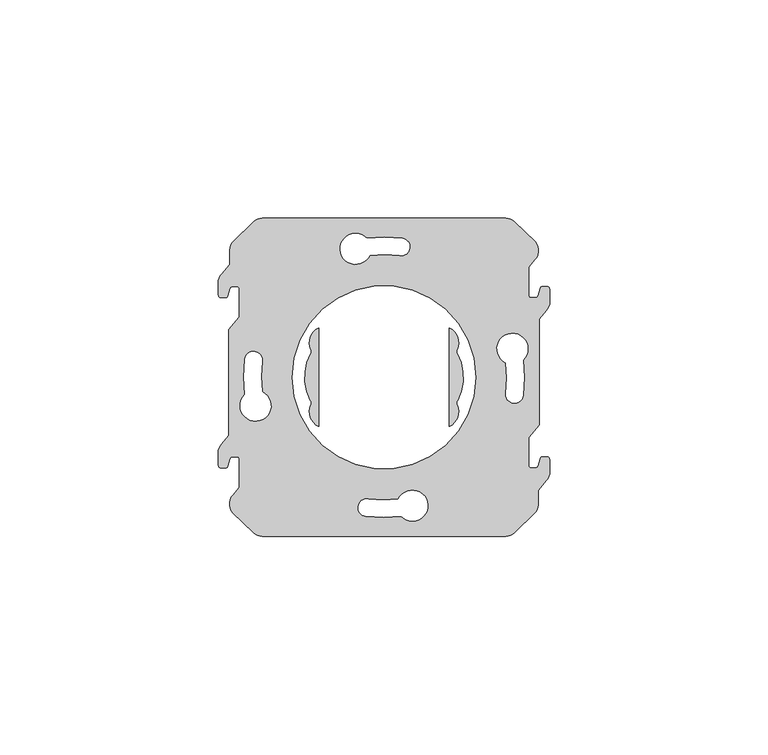
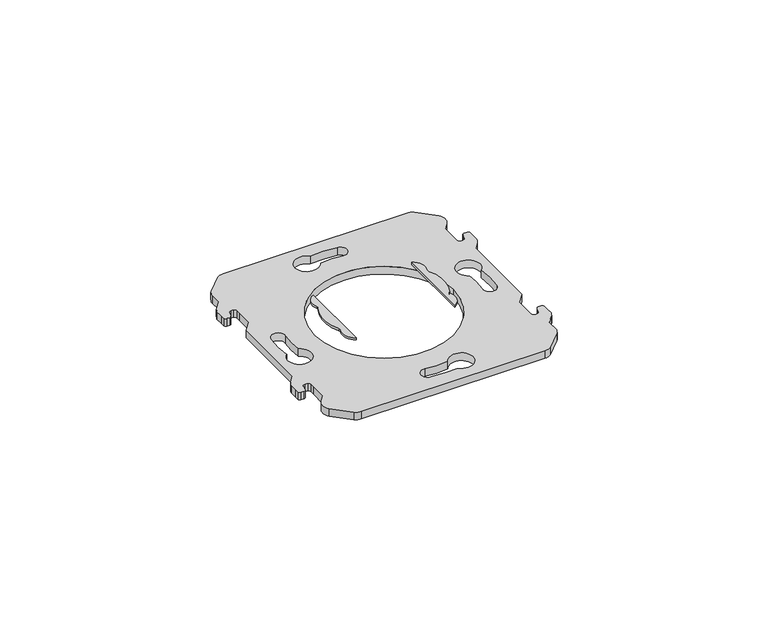
"""IFC4 building model written with IfcOpenShell, lengths in millimetres: proxy geometry."""

from ifc_helpers import new_model, si_unit, point, frame, frame_2d, origin, place, context, project, spatial, polyline, circle_curve, trimmed, segment, composite_curve, outline, extrude, source, transform, mapped, element, save
from ifc_brep_helpers import plane_surface, cylinder_surface, revolved_surface, advanced_brep


def electrical_fixtures_5f5707a0(model_context):
    return source(origin(), model_context, "Body", "SolidModel", [
        advanced_brep(
        [(-5.3618856, 58.9, 1.4999955), (-7.3352401, 58.1817577, 1.4999955), (-12.0623304, 53.6003524, 1.4999955), (-12.825, 51.7544998, 1.4999955), (-12.825, 48.358147, 1.4999955), (-14.6551375, 46.1770741, 1.4999955), (-15.3831369, 44.7482948, 1.4999955), (-15.3831369, 42.6032876, 1.4999955), (-15.3831369, 41.3, 1.4999955), (-14.7831369, 40.7, 1.4999955), (-13.8845347, 40.7, 1.4999955), (-13.2308768, 41.1925666, 1.4999955), (-13.0094096, 41.9649142, 1.4999955), (-12.7678212, 42.8074334, 1.4999955), (-12.1141632, 43.3, 1.4999955), (-11.215561, 43.3, 1.4999955), (-10.615561, 42.7, 1.4999955), (-10.615561, 41.3967124, 1.4999955), (-10.615561, 36.2941352, 1.4999955), (-13.0, 33.4524715, 1.4999955), (-13.0, 9.1495901, 1.4999955), (-14.6551375, 7.1770741, 1.4999955), (-15.3831369, 5.7482948, 1.4999955), (-15.3831369, 3.6032876, 1.4999955), (-15.3831369, 2.3, 1.4999955), (-14.7831369, 1.7, 1.4999955), (-13.8845347, 1.7, 1.4999955), (-13.2308768, 2.1925666, 1.4999955), (-13.0094096, 2.9649142, 1.4999955), (-12.7678212, 3.8074334, 1.4999955), (-12.1141632, 4.3, 1.4999955), (-11.215561, 4.3, 1.4999955), (-10.615561, 3.7, 1.4999955), (-10.615561, 2.3967124, 1.4999955), (-10.615561, -2.7058648, 1.4999955), (-12.0487493, -4.4138721, 1.4999955), (-12.0483311, -8.5880492, 1.4999955), (-7.3352401, -13.1817577, 1.4999955), (-5.3618856, -13.9, 1.4999955), (50.3618856, -13.9, 1.4999955), (52.3352401, -13.1817577, 1.4999955), (57.0623304, -8.6003524, 1.4999955), (57.825, -6.7544998, 1.4999955), (57.825, -3.358147, 1.4999955), (59.6551375, -1.1770741, 1.4999955), (60.3831369, 0.2517052, 1.4999955), (60.3831369, 2.3967124, 1.4999955), (60.3831369, 3.7, 1.4999955), (59.7831369, 4.3, 1.4999955), (58.8845347, 4.3, 1.4999955), (58.2308768, 3.8074334, 1.4999955), (58.0094096, 3.0350858, 1.4999955), (57.7678212, 2.1925666, 1.4999955), (57.1141632, 1.7, 1.4999955), (56.215561, 1.7, 1.4999955), (55.615561, 2.3, 1.4999955), (55.615561, 3.6032876, 1.4999955), (55.615561, 8.7058648, 1.4999955), (58.0, 11.5475285, 1.4999955), (58.0, 35.8504099, 1.4999955), (59.6551375, 37.8229259, 1.4999955), (60.3831369, 39.2517052, 1.4999955), (60.3831369, 41.3967124, 1.4999955), (60.3831369, 42.7, 1.4999955), (59.7831369, 43.3, 1.4999955), (58.8845347, 43.3, 1.4999955), (58.2308768, 42.8074334, 1.4999955), (58.0094096, 42.0350858, 1.4999955), (57.7678212, 41.1925666, 1.4999955), (57.1141632, 40.7, 1.4999955), (56.215561, 40.7, 1.4999955), (55.615561, 41.3, 1.4999955), (55.615561, 42.6032876, 1.4999955), (55.615561, 47.7058648, 1.4999955), (57.0487493, 49.4138721, 1.4999955), (57.0483311, 53.5880492, 1.4999955), (52.3352401, 58.1817577, 1.4999955), (50.3618856, 58.9, 1.4999955), (50.4050903, 25.7948561, 1.4999955), (54.3556482, 26.4616572, 1.4999955), (54.3309119, 18.3239237, 1.4999955), (50.3589525, 18.8422789, 1.4999955), (-5.4050903, 19.2051439, 1.4999955), (-9.3556482, 18.5383428, 1.4999955), (-9.3309119, 26.6760763, 1.4999955), (-5.3589525, 26.1577211, 1.4999955), (19.2051439, 50.4050903, 1.4999955), (18.5383428, 54.3556482, 1.4999955), (26.6760763, 54.3309119, 1.4999955), (26.1577211, 50.3589525, 1.4999955), (25.7948561, -5.4050903, 1.4999955), (26.4616572, -9.3556482, 1.4999955), (18.3239237, -9.3309119, 1.4999955), (18.8422789, -5.3589525, 1.4999955), (1.5, 22.5, 1.4999955), (43.5, 22.5, 1.4999955), (-5.3618856, 58.9, -0.9375053), (50.3618856, 58.9, -0.9375053), (52.3352401, 58.1817577, -0.9375053), (57.0623304, 53.6003524, -0.9375053), (57.0487493, 49.4138721, -0.9375053), (55.615561, 47.7058648, -0.9375053), (55.615561, 42.6032876, -0.9375053), (55.615561, 41.3, -0.9375053), (56.215561, 40.7, -0.9375053), (57.1141632, 40.7, -0.9375053), (57.7678212, 41.1925666, -0.9375053), (58.0094096, 42.0350858, -0.9375053), (58.2308768, 42.8074334, -0.9375053), (58.8845347, 43.3, -0.9375053), (59.7831369, 43.3, -0.9375053), (60.3831369, 42.7, -0.9375053), (60.3831369, 41.3967124, -0.9375053), (60.3831369, 39.2517052, -0.9375053), (59.6551375, 37.8229259, -0.9375053), (58.0, 35.8504099, -0.9375053), (58.0, 11.5475285, -0.9375053), (55.615561, 8.7058648, -0.9375053), (55.615561, 3.6032876, -0.9375053), (55.615561, 2.3, -0.9375053), (56.215561, 1.7, -0.9375053), (57.1141632, 1.7, -0.9375053), (57.7678212, 2.1925666, -0.9375053), (58.0094096, 3.0350858, -0.9375053), (58.2308768, 3.8074334, -0.9375053), (58.8845347, 4.3, -0.9375053), (59.7831369, 4.3, -0.9375053), (60.3831369, 3.7, -0.9375053), (60.3831369, 2.3967124, -0.9375053), (60.3831369, 0.2517052, -0.9375053), (59.6551375, -1.1770741, -0.9375053), (57.825, -3.358147, -0.9375053), (57.825, -6.7544998, -0.9375053), (57.0483311, -8.5880492, -0.9375053), (52.3352401, -13.1817577, -0.9375053), (50.3618856, -13.9, -0.9375053), (-5.3618856, -13.9, -0.9375053), (-7.3352401, -13.1817577, -0.9375053), (-12.0623304, -8.6003524, -0.9375053), (-12.0487493, -4.4138721, -0.9375053), (-10.615561, -2.7058648, -0.9375053), (-10.615561, 2.3967124, -0.9375053), (-10.615561, 3.7, -0.9375053), (-11.215561, 4.3, -0.9375053), (-12.1141632, 4.3, -0.9375053), (-12.7678212, 3.8074334, -0.9375053), (-13.0094096, 2.9649142, -0.9375053), (-13.2308768, 2.1925666, -0.9375053), (-13.8845347, 1.7, -0.9375053), (-14.7831369, 1.7, -0.9375053), (-15.3831369, 2.3, -0.9375053), (-15.3831369, 3.6032876, -0.9375053), (-15.3831369, 5.7482948, -0.9375053), (-14.6551375, 7.1770741, -0.9375053), (-13.0, 9.1495901, -0.9375053), (-13.0, 33.4524715, -0.9375053), (-10.615561, 36.2941352, -0.9375053), (-10.615561, 41.3967124, -0.9375053), (-10.615561, 42.7, -0.9375053), (-11.215561, 43.3, -0.9375053), (-12.1141632, 43.3, -0.9375053), (-12.7678212, 42.8074334, -0.9375053), (-13.0094096, 41.9649142, -0.9375053), (-13.2308768, 41.1925666, -0.9375053), (-13.8845347, 40.7, -0.9375053), (-14.7831369, 40.7, -0.9375053), (-15.3831369, 41.3, -0.9375053), (-15.3831369, 42.6032876, -0.9375053), (-15.3831369, 44.7482948, -0.9375053), (-14.6551375, 46.1770741, -0.9375053), (-12.825, 48.358147, -0.9375053), (-12.825, 51.7544998, -0.9375053), (-12.0483311, 53.5880492, -0.9375053), (-7.3352401, 58.1817577, -0.9375053), (50.4050903, 25.7948561, -0.9375053), (50.3589525, 18.8422789, -0.9375053), (54.3309119, 18.3239237, -0.9375053), (54.3556482, 26.4616572, -0.9375053), (-5.4050903, 19.2051439, -0.9375053), (-5.3589525, 26.1577211, -0.9375053), (-9.3309119, 26.6760763, -0.9375053), (-9.3556482, 18.5383428, -0.9375053), (19.2051439, 50.4050903, -0.9375053), (26.1577211, 50.3589525, -0.9375053), (26.6760763, 54.3309119, -0.9375053), (18.5383428, 54.3556482, -0.9375053), (25.7948561, -5.4050903, -0.9375053), (18.8422789, -5.3589525, -0.9375053), (18.3239237, -9.3309119, -0.9375053), (26.4616572, -9.3556482, -0.9375053), (1.5, 22.5, -0.9375053), (43.5, 22.5, -0.9375053)],
        [
            (0, 1, circle_curve(frame((-5.3618856, 55.8300054, 1.4999955), z_axis=(0.0, 0.0, 1.0), x_axis=(0.0, -1.0, 0.0)), 3.0699946)),
            (1, 2, circle_curve(frame((22.2319767, 22.9449208, 1.4999955), z_axis=(0.0, 0.0, 1.0), x_axis=(0.0, -1.0, 0.0)), 45.9984237)),
            (2, 3, circle_curve(frame((-9.6732427, 51.5007227, 1.4999955), z_axis=(0.0, 0.0, 1.0), x_axis=(0.0, -1.0, 0.0)), 3.1619578)),
            (3, 4),
            (4, 5),
            (5, 6, circle_curve(frame((-12.0250548, 43.9371233, 1.4999955), z_axis=(0.0, 0.0, 1.0), x_axis=(0.0, 1.0, 0.0)), 3.4546657)),
            (6, 7),
            (7, 8),
            (8, 9, circle_curve(frame((-14.7831369, 41.3, 1.4999955), z_axis=(0.0, 0.0, 1.0), x_axis=(0.0, 1.0, 0.0)), 0.6)),
            (9, 10),
            (10, 11, circle_curve(frame((-13.8845347, 41.38, 1.4999955), z_axis=(0.0, 0.0, 1.0), x_axis=(0.0, 1.0, 0.0)), 0.68)),
            (11, 12),
            (12, 13),
            (13, 14, circle_curve(frame((-12.1141632, 42.62, 1.4999955), z_axis=(0.0, 0.0, -1.0), x_axis=(0.0, -1.0, 0.0)), 0.68)),
            (14, 15),
            (15, 16, circle_curve(frame((-11.215561, 42.7, 1.4999955), z_axis=(0.0, 0.0, -1.0), x_axis=(0.0, -1.0, 0.0)), 0.6)),
            (16, 17),
            (17, 18),
            (18, 19),
            (19, 20),
            (20, 21),
            (21, 22, circle_curve(frame((-12.0250548, 4.9371233, 1.4999955), z_axis=(0.0, 0.0, 1.0), x_axis=(0.0, 1.0, 0.0)), 3.4546657)),
            (22, 23),
            (23, 24),
            (24, 25, circle_curve(frame((-14.7831369, 2.3, 1.4999955), z_axis=(0.0, 0.0, 1.0), x_axis=(0.0, 1.0, 0.0)), 0.6)),
            (25, 26),
            (26, 27, circle_curve(frame((-13.8845347, 2.38, 1.4999955), z_axis=(0.0, 0.0, 1.0), x_axis=(0.0, 1.0, 0.0)), 0.68)),
            (27, 28),
            (28, 29),
            (29, 30, circle_curve(frame((-12.1141632, 3.62, 1.4999955), z_axis=(0.0, 0.0, -1.0), x_axis=(0.0, -1.0, 0.0)), 0.68)),
            (30, 31),
            (31, 32, circle_curve(frame((-11.215561, 3.7, 1.4999955), z_axis=(0.0, 0.0, -1.0), x_axis=(0.0, -1.0, 0.0)), 0.6)),
            (32, 33),
            (33, 34),
            (34, 35),
            (35, 36, circle_curve(frame((-9.6732427, -6.5007227, 1.4999955), z_axis=(0.0, 0.0, 1.0), x_axis=(0.0, 1.0, 0.0)), 3.1619578)),
            (36, 37, circle_curve(frame((22.2319767, 22.0550792, 1.4999955), z_axis=(0.0, 0.0, 1.0), x_axis=(0.0, 1.0, 0.0)), 45.9984237)),
            (37, 38, circle_curve(frame((-5.3618856, -10.8300054, 1.4999955), z_axis=(0.0, 0.0, 1.0), x_axis=(0.0, 1.0, 0.0)), 3.0699946)),
            (38, 39),
            (39, 40, circle_curve(frame((50.3618856, -10.8300054, 1.4999955), z_axis=(0.0, 0.0, 1.0), x_axis=(0.0, 1.0, 0.0)), 3.0699946)),
            (40, 41, circle_curve(frame((22.7680233, 22.0550792, 1.4999955), z_axis=(0.0, 0.0, 1.0), x_axis=(0.0, 1.0, 0.0)), 45.9984237)),
            (41, 42, circle_curve(frame((54.6732427, -6.5007227, 1.4999955), z_axis=(0.0, 0.0, 1.0), x_axis=(0.0, 1.0, 0.0)), 3.1619578)),
            (42, 43),
            (43, 44),
            (44, 45, circle_curve(frame((57.0250548, 1.0628767, 1.4999955), z_axis=(0.0, 0.0, 1.0), x_axis=(0.0, -1.0, 0.0)), 3.4546657)),
            (45, 46),
            (46, 47),
            (47, 48, circle_curve(frame((59.7831369, 3.7, 1.4999955), z_axis=(0.0, 0.0, 1.0), x_axis=(0.0, -1.0, 0.0)), 0.6)),
            (48, 49),
            (49, 50, circle_curve(frame((58.8845347, 3.62, 1.4999955), z_axis=(0.0, 0.0, 1.0), x_axis=(0.0, -1.0, 0.0)), 0.68)),
            (50, 51),
            (51, 52),
            (52, 53, circle_curve(frame((57.1141632, 2.38, 1.4999955), z_axis=(0.0, 0.0, -1.0), x_axis=(0.0, 1.0, 0.0)), 0.68)),
            (53, 54),
            (54, 55, circle_curve(frame((56.215561, 2.3, 1.4999955), z_axis=(0.0, 0.0, -1.0), x_axis=(0.0, 1.0, 0.0)), 0.6)),
            (55, 56),
            (56, 57),
            (57, 58),
            (58, 59),
            (59, 60),
            (60, 61, circle_curve(frame((57.0250548, 40.0628767, 1.4999955), z_axis=(0.0, 0.0, 1.0), x_axis=(0.0, -1.0, 0.0)), 3.4546657)),
            (61, 62),
            (62, 63),
            (63, 64, circle_curve(frame((59.7831369, 42.7, 1.4999955), z_axis=(0.0, 0.0, 1.0), x_axis=(0.0, -1.0, 0.0)), 0.6)),
            (64, 65),
            (65, 66, circle_curve(frame((58.8845347, 42.62, 1.4999955), z_axis=(0.0, 0.0, 1.0), x_axis=(0.0, -1.0, 0.0)), 0.68)),
            (66, 67),
            (67, 68),
            (68, 69, circle_curve(frame((57.1141632, 41.38, 1.4999955), z_axis=(0.0, 0.0, -1.0), x_axis=(0.0, 1.0, 0.0)), 0.68)),
            (69, 70),
            (70, 71, circle_curve(frame((56.215561, 41.3, 1.4999955), z_axis=(0.0, 0.0, -1.0), x_axis=(0.0, 1.0, 0.0)), 0.6)),
            (71, 72),
            (72, 73),
            (73, 74),
            (74, 75, circle_curve(frame((54.6732427, 51.5007227, 1.4999955), z_axis=(0.0, 0.0, 1.0), x_axis=(0.0, -1.0, 0.0)), 3.1619578)),
            (75, 76, circle_curve(frame((22.7680233, 22.9449208, 1.4999955), z_axis=(0.0, 0.0, 1.0), x_axis=(0.0, -1.0, 0.0)), 45.9984237)),
            (76, 77, circle_curve(frame((50.3618856, 55.8300054, 1.4999955), z_axis=(0.0, 0.0, 1.0), x_axis=(0.0, -1.0, 0.0)), 3.0699946)),
            (77, 0),
            (78, 79, circle_curve(frame((51.8931272, 29.0149916, 1.4999955), z_axis=(0.0, 0.0, -1.0), x_axis=(0.0, -1.0, 0.0)), 3.5473266)),
            (79, 80, circle_curve(frame((22.4089112, 22.4898617, 1.4999955), z_axis=(0.0, 0.0, -1.0), x_axis=(0.0, -1.0, 0.0)), 32.1926881)),
            (80, 81, circle_curve(frame((52.3424212, 18.5638607, 1.4999955), z_axis=(0.0, 0.0, -1.0), x_axis=(0.0, -1.0, 0.0)), 2.0029141)),
            (81, 78, circle_curve(frame((24.3636153, 22.4912274, 1.4999955), z_axis=(0.0, 0.0, 1.0), x_axis=(0.0, -1.0, 0.0)), 26.2501882)),
            (82, 83, circle_curve(frame((-6.8931272, 15.9850084, 1.4999955), z_axis=(0.0, 0.0, -1.0), x_axis=(0.0, 1.0, 0.0)), 3.5473266)),
            (83, 84, circle_curve(frame((22.5910888, 22.5101383, 1.4999955), z_axis=(0.0, 0.0, -1.0), x_axis=(0.0, 1.0, 0.0)), 32.1926881)),
            (84, 85, circle_curve(frame((-7.3424212, 26.4361393, 1.4999955), z_axis=(0.0, 0.0, -1.0), x_axis=(0.0, 1.0, 0.0)), 2.0029141)),
            (85, 82, circle_curve(frame((20.6363847, 22.5087726, 1.4999955), z_axis=(0.0, 0.0, 1.0), x_axis=(0.0, 1.0, 0.0)), 26.2501882)),
            (86, 87, circle_curve(frame((15.9850084, 51.8931272, 1.4999955), z_axis=(0.0, 0.0, -1.0), x_axis=(1.0, 0.0, 0.0)), 3.5473266)),
            (87, 88, circle_curve(frame((22.5101383, 22.4089112, 1.4999955), z_axis=(0.0, 0.0, -1.0), x_axis=(1.0, 0.0, 0.0)), 32.1926881)),
            (88, 89, circle_curve(frame((26.4361393, 52.3424212, 1.4999955), z_axis=(0.0, 0.0, -1.0), x_axis=(1.0, 0.0, 0.0)), 2.0029141)),
            (89, 86, circle_curve(frame((22.5087726, 24.3636153, 1.4999955), z_axis=(0.0, 0.0, 1.0), x_axis=(1.0, 0.0, 0.0)), 26.2501882)),
            (90, 91, circle_curve(frame((29.0149916, -6.8931272, 1.4999955), z_axis=(0.0, 0.0, -1.0), x_axis=(-1.0, 0.0, 0.0)), 3.5473266)),
            (91, 92, circle_curve(frame((22.4898617, 22.5910888, 1.4999955), z_axis=(0.0, 0.0, -1.0), x_axis=(-1.0, 0.0, 0.0)), 32.1926881)),
            (92, 93, circle_curve(frame((18.5638607, -7.3424212, 1.4999955), z_axis=(0.0, 0.0, -1.0), x_axis=(-1.0, 0.0, 0.0)), 2.0029141)),
            (93, 90, circle_curve(frame((22.4912274, 20.6363847, 1.4999955), z_axis=(0.0, 0.0, 1.0), x_axis=(-1.0, 0.0, 0.0)), 26.2501882)),
            (94, 95, circle_curve(frame((22.5, 22.5, 1.4999955), z_axis=(0.0, 0.0, -1.0), x_axis=(1.0, 0.0, 0.0)), 21.0)),
            (95, 94, circle_curve(frame((22.5, 22.5, 1.4999955), z_axis=(0.0, 0.0, -1.0), x_axis=(1.0, 0.0, 0.0)), 21.0)),
            (96, 97),
            (97, 98, circle_curve(frame((50.3618856, 55.8300054, -0.9375053), z_axis=(0.0, 0.0, -1.0), x_axis=(0.0, -1.0, 0.0)), 3.0699946)),
            (98, 99, circle_curve(frame((22.7680233, 22.9449208, -0.9375053), z_axis=(0.0, 0.0, -1.0), x_axis=(0.0, -1.0, 0.0)), 45.9984237)),
            (99, 100, circle_curve(frame((54.6732427, 51.5007227, -0.9375053), z_axis=(0.0, 0.0, -1.0), x_axis=(0.0, -1.0, 0.0)), 3.1619578)),
            (100, 101),
            (101, 102),
            (102, 103),
            (103, 104, circle_curve(frame((56.215561, 41.3, -0.9375053), z_axis=(0.0, 0.0, 1.0), x_axis=(0.0, 1.0, 0.0)), 0.6)),
            (104, 105),
            (105, 106, circle_curve(frame((57.1141632, 41.38, -0.9375053), z_axis=(0.0, 0.0, 1.0), x_axis=(0.0, 1.0, 0.0)), 0.68)),
            (106, 107),
            (107, 108),
            (108, 109, circle_curve(frame((58.8845347, 42.62, -0.9375053), z_axis=(0.0, 0.0, -1.0), x_axis=(0.0, -1.0, 0.0)), 0.68)),
            (109, 110),
            (110, 111, circle_curve(frame((59.7831369, 42.7, -0.9375053), z_axis=(0.0, 0.0, -1.0), x_axis=(0.0, -1.0, 0.0)), 0.6)),
            (111, 112),
            (112, 113),
            (113, 114, circle_curve(frame((57.0250548, 40.0628767, -0.9375053), z_axis=(0.0, 0.0, -1.0), x_axis=(0.0, -1.0, 0.0)), 3.4546657)),
            (114, 115),
            (115, 116),
            (116, 117),
            (117, 118),
            (118, 119),
            (119, 120, circle_curve(frame((56.215561, 2.3, -0.9375053), z_axis=(0.0, 0.0, 1.0), x_axis=(0.0, 1.0, 0.0)), 0.6)),
            (120, 121),
            (121, 122, circle_curve(frame((57.1141632, 2.38, -0.9375053), z_axis=(0.0, 0.0, 1.0), x_axis=(0.0, 1.0, 0.0)), 0.68)),
            (122, 123),
            (123, 124),
            (124, 125, circle_curve(frame((58.8845347, 3.62, -0.9375053), z_axis=(0.0, 0.0, -1.0), x_axis=(0.0, -1.0, 0.0)), 0.68)),
            (125, 126),
            (126, 127, circle_curve(frame((59.7831369, 3.7, -0.9375053), z_axis=(0.0, 0.0, -1.0), x_axis=(0.0, -1.0, 0.0)), 0.6)),
            (127, 128),
            (128, 129),
            (129, 130, circle_curve(frame((57.0250548, 1.0628767, -0.9375053), z_axis=(0.0, 0.0, -1.0), x_axis=(0.0, -1.0, 0.0)), 3.4546657)),
            (130, 131),
            (131, 132),
            (132, 133, circle_curve(frame((54.6732427, -6.5007227, -0.9375053), z_axis=(0.0, 0.0, -1.0), x_axis=(0.0, 1.0, 0.0)), 3.1619578)),
            (133, 134, circle_curve(frame((22.7680233, 22.0550792, -0.9375053), z_axis=(0.0, 0.0, -1.0), x_axis=(0.0, 1.0, 0.0)), 45.9984237)),
            (134, 135, circle_curve(frame((50.3618856, -10.8300054, -0.9375053), z_axis=(0.0, 0.0, -1.0), x_axis=(0.0, 1.0, 0.0)), 3.0699946)),
            (135, 136),
            (136, 137, circle_curve(frame((-5.3618856, -10.8300054, -0.9375053), z_axis=(0.0, 0.0, -1.0), x_axis=(0.0, 1.0, 0.0)), 3.0699946)),
            (137, 138, circle_curve(frame((22.2319767, 22.0550792, -0.9375053), z_axis=(0.0, 0.0, -1.0), x_axis=(0.0, 1.0, 0.0)), 45.9984237)),
            (138, 139, circle_curve(frame((-9.6732427, -6.5007227, -0.9375053), z_axis=(0.0, 0.0, -1.0), x_axis=(0.0, 1.0, 0.0)), 3.1619578)),
            (139, 140),
            (140, 141),
            (141, 142),
            (142, 143, circle_curve(frame((-11.215561, 3.7, -0.9375053), z_axis=(0.0, 0.0, 1.0), x_axis=(0.0, -1.0, 0.0)), 0.6)),
            (143, 144),
            (144, 145, circle_curve(frame((-12.1141632, 3.62, -0.9375053), z_axis=(0.0, 0.0, 1.0), x_axis=(0.0, -1.0, 0.0)), 0.68)),
            (145, 146),
            (146, 147),
            (147, 148, circle_curve(frame((-13.8845347, 2.38, -0.9375053), z_axis=(0.0, 0.0, -1.0), x_axis=(0.0, 1.0, 0.0)), 0.68)),
            (148, 149),
            (149, 150, circle_curve(frame((-14.7831369, 2.3, -0.9375053), z_axis=(0.0, 0.0, -1.0), x_axis=(0.0, 1.0, 0.0)), 0.6)),
            (150, 151),
            (151, 152),
            (152, 153, circle_curve(frame((-12.0250548, 4.9371233, -0.9375053), z_axis=(0.0, 0.0, -1.0), x_axis=(0.0, 1.0, 0.0)), 3.4546657)),
            (153, 154),
            (154, 155),
            (155, 156),
            (156, 157),
            (157, 158),
            (158, 159, circle_curve(frame((-11.215561, 42.7, -0.9375053), z_axis=(0.0, 0.0, 1.0), x_axis=(0.0, -1.0, 0.0)), 0.6)),
            (159, 160),
            (160, 161, circle_curve(frame((-12.1141632, 42.62, -0.9375053), z_axis=(0.0, 0.0, 1.0), x_axis=(0.0, -1.0, 0.0)), 0.68)),
            (161, 162),
            (162, 163),
            (163, 164, circle_curve(frame((-13.8845347, 41.38, -0.9375053), z_axis=(0.0, 0.0, -1.0), x_axis=(0.0, 1.0, 0.0)), 0.68)),
            (164, 165),
            (165, 166, circle_curve(frame((-14.7831369, 41.3, -0.9375053), z_axis=(0.0, 0.0, -1.0), x_axis=(0.0, 1.0, 0.0)), 0.6)),
            (166, 167),
            (167, 168),
            (168, 169, circle_curve(frame((-12.0250548, 43.9371233, -0.9375053), z_axis=(0.0, 0.0, -1.0), x_axis=(0.0, 1.0, 0.0)), 3.4546657)),
            (169, 170),
            (170, 171),
            (171, 172, circle_curve(frame((-9.6732427, 51.5007227, -0.9375053), z_axis=(0.0, 0.0, -1.0), x_axis=(0.0, -1.0, 0.0)), 3.1619578)),
            (172, 173, circle_curve(frame((22.2319767, 22.9449208, -0.9375053), z_axis=(0.0, 0.0, -1.0), x_axis=(0.0, -1.0, 0.0)), 45.9984237)),
            (173, 96, circle_curve(frame((-5.3618856, 55.8300054, -0.9375053), z_axis=(0.0, 0.0, -1.0), x_axis=(0.0, -1.0, 0.0)), 3.0699946)),
            (174, 175, circle_curve(frame((24.3636153, 22.4912274, -0.9375053), z_axis=(0.0, 0.0, -1.0), x_axis=(0.0, -1.0, 0.0)), 26.2501882)),
            (175, 176, circle_curve(frame((52.3424212, 18.5638607, -0.9375053), z_axis=(0.0, 0.0, 1.0), x_axis=(0.0, -1.0, 0.0)), 2.0029141)),
            (176, 177, circle_curve(frame((22.4089112, 22.4898617, -0.9375053), z_axis=(0.0, 0.0, 1.0), x_axis=(0.0, -1.0, 0.0)), 32.1926881)),
            (177, 174, circle_curve(frame((51.8931272, 29.0149916, -0.9375053), z_axis=(0.0, 0.0, 1.0), x_axis=(0.0, -1.0, 0.0)), 3.5473266)),
            (178, 179, circle_curve(frame((20.6363847, 22.5087726, -0.9375053), z_axis=(0.0, 0.0, -1.0), x_axis=(0.0, 1.0, 0.0)), 26.2501882)),
            (179, 180, circle_curve(frame((-7.3424212, 26.4361393, -0.9375053), z_axis=(0.0, 0.0, 1.0), x_axis=(0.0, 1.0, 0.0)), 2.0029141)),
            (180, 181, circle_curve(frame((22.5910888, 22.5101383, -0.9375053), z_axis=(0.0, 0.0, 1.0), x_axis=(0.0, 1.0, 0.0)), 32.1926881)),
            (181, 178, circle_curve(frame((-6.8931272, 15.9850084, -0.9375053), z_axis=(0.0, 0.0, 1.0), x_axis=(0.0, 1.0, 0.0)), 3.5473266)),
            (182, 183, circle_curve(frame((22.5087726, 24.3636153, -0.9375053), z_axis=(0.0, 0.0, -1.0), x_axis=(1.0, 0.0, 0.0)), 26.2501882)),
            (183, 184, circle_curve(frame((26.4361393, 52.3424212, -0.9375053), z_axis=(0.0, 0.0, 1.0), x_axis=(1.0, 0.0, 0.0)), 2.0029141)),
            (184, 185, circle_curve(frame((22.5101383, 22.4089112, -0.9375053), z_axis=(0.0, 0.0, 1.0), x_axis=(1.0, 0.0, 0.0)), 32.1926881)),
            (185, 182, circle_curve(frame((15.9850084, 51.8931272, -0.9375053), z_axis=(0.0, 0.0, 1.0), x_axis=(1.0, 0.0, 0.0)), 3.5473266)),
            (186, 187, circle_curve(frame((22.4912274, 20.6363847, -0.9375053), z_axis=(0.0, 0.0, -1.0), x_axis=(-1.0, 0.0, 0.0)), 26.2501882)),
            (187, 188, circle_curve(frame((18.5638607, -7.3424212, -0.9375053), z_axis=(0.0, 0.0, 1.0), x_axis=(-1.0, 0.0, 0.0)), 2.0029141)),
            (188, 189, circle_curve(frame((22.4898617, 22.5910888, -0.9375053), z_axis=(0.0, 0.0, 1.0), x_axis=(-1.0, 0.0, 0.0)), 32.1926881)),
            (189, 186, circle_curve(frame((29.0149916, -6.8931272, -0.9375053), z_axis=(0.0, 0.0, 1.0), x_axis=(-1.0, 0.0, 0.0)), 3.5473266)),
            (190, 191, circle_curve(frame((22.5, 22.5, -0.9375053), z_axis=(0.0, 0.0, 1.0), x_axis=(1.0, 0.0, 0.0)), 21.0)),
            (191, 190, circle_curve(frame((22.5, 22.5, -0.9375053), z_axis=(0.0, 0.0, 1.0), x_axis=(1.0, 0.0, 0.0)), 21.0)),
            (0, 96),
            (173, 1),
            (172, 2),
            (36, 138),
            (137, 37),
            (136, 38),
            (135, 39),
            (134, 40),
            (133, 41),
            (132, 42),
            (131, 43),
            (130, 44),
            (129, 45),
            (128, 46),
            (127, 47),
            (126, 48),
            (125, 49),
            (124, 50),
            (123, 51),
            (57, 117),
            (116, 58),
            (115, 59),
            (114, 60),
            (113, 61),
            (112, 62),
            (111, 63),
            (110, 64),
            (109, 65),
            (108, 66),
            (107, 67),
            (73, 101),
            (100, 74),
            (99, 75),
            (98, 76),
            (97, 77),
            (78, 174),
            (177, 79),
            (176, 80),
            (175, 81),
            (82, 178),
            (181, 83),
            (180, 84),
            (179, 85),
            (86, 182),
            (185, 87),
            (184, 88),
            (183, 89),
            (90, 186),
            (189, 91),
            (188, 92),
            (187, 93),
            (171, 3),
            (170, 4),
            (169, 5),
            (168, 6),
            (167, 7),
            (166, 8),
            (165, 9),
            (164, 10),
            (163, 11),
            (162, 12),
            (161, 13),
            (160, 14),
            (159, 15),
            (158, 16),
            (157, 17),
            (156, 18),
            (155, 19),
            (154, 20),
            (153, 21),
            (152, 22),
            (151, 23),
            (150, 24),
            (149, 25),
            (148, 26),
            (147, 27),
            (146, 28),
            (145, 29),
            (144, 30),
            (143, 31),
            (142, 32),
            (141, 33),
            (140, 34),
            (139, 35),
            (122, 52),
            (121, 53),
            (120, 54),
            (119, 55),
            (118, 56),
            (106, 68),
            (105, 69),
            (104, 70),
            (103, 71),
            (102, 72),
            (94, 190),
            (191, 95),
        ],
        [
            plane_surface(frame((-5.3618856, 52.7600108, 1.4999955), z_axis=(0.0, 0.0, 1.0), x_axis=(1.0, 0.0, 0.0))),
            plane_surface(frame((-5.3618856, 52.7600108, -0.9375053), z_axis=(0.0, 0.0, -1.0), x_axis=(-1.0, 0.0, 0.0))),
            cylinder_surface(frame((-5.3618856, 55.8300054, -0.9375053), z_axis=(0.0, 0.0, 1.0), x_axis=(0.0, -1.0, 0.0)), 3.0699946),
            cylinder_surface(frame((22.2319767, 22.9449208, -0.9375053), z_axis=(0.0, 0.0, 1.0), x_axis=(0.0, -1.0, 0.0)), 45.9984237),
            cylinder_surface(frame((22.2319767, 22.0550792, -0.9375053), z_axis=(0.0, 0.0, 1.0), x_axis=(0.0, 1.0, 0.0)), 45.9984237),
            cylinder_surface(frame((-5.3618856, -10.8300054, -0.9375053), z_axis=(0.0, 0.0, 1.0), x_axis=(0.0, 1.0, 0.0)), 3.0699946),
            plane_surface(frame((-5.3618856, -13.9, 1.4999955), z_axis=(0.0, -1.0, 0.0), x_axis=(0.0, 0.0, -1.0))),
            cylinder_surface(frame((50.3618856, -10.8300054, -0.9375053), z_axis=(0.0, 0.0, 1.0), x_axis=(0.0, 1.0, 0.0)), 3.0699946),
            cylinder_surface(frame((22.7680233, 22.0550792, -0.9375053), z_axis=(0.0, 0.0, 1.0), x_axis=(0.0, 1.0, 0.0)), 45.9984237),
            cylinder_surface(frame((54.6732427, -6.5007227, -0.9375053), z_axis=(0.0, 0.0, 1.0), x_axis=(0.0, 1.0, 0.0)), 3.1619578),
            plane_surface(frame((57.825, -6.7544998, 1.4999955), z_axis=(1.0, 0.0, 0.0), x_axis=(0.0, 0.0, -1.0))),
            plane_surface(frame((57.825, -3.358147, 1.4999955), z_axis=(0.7660444431193687, -0.6427876096860737, 0.0), x_axis=(0.0, 0.0, -1.0))),
            cylinder_surface(frame((57.0250548, 1.0628767, -0.9375053), z_axis=(0.0, 0.0, 1.0), x_axis=(0.0, -1.0, 0.0)), 3.4546657),
            plane_surface(frame((60.3831369, 0.2517052, 1.4999955), z_axis=(1.0, 0.0, 0.0), x_axis=(0.0, 0.0, -1.0))),
            plane_surface(frame((60.3831369, 2.3967124, 1.4999955), z_axis=(1.0, 0.0, 0.0), x_axis=(0.0, 0.0, -1.0))),
            cylinder_surface(frame((59.7831369, 3.7, -0.9375053), z_axis=(0.0, 0.0, 1.0), x_axis=(0.0, -1.0, 0.0)), 0.6),
            plane_surface(frame((59.7831369, 4.3, 1.4999955), z_axis=(0.0, 1.0, 0.0), x_axis=(0.0, 0.0, -1.0))),
            cylinder_surface(frame((58.8845347, 3.62, -0.9375053), z_axis=(0.0, 0.0, 1.0), x_axis=(0.0, -1.0, 0.0)), 0.68),
            plane_surface(frame((58.2308768, 3.8074334, 1.4999955), z_axis=(-0.9612616959382921, 0.27563735581709237, 0.0), x_axis=(0.0, 0.0, -1.0))),
            plane_surface(frame((55.615561, 8.7058648, 1.4999955), z_axis=(0.7660444431184645, -0.6427876096871513, 0.0), x_axis=(0.0, 0.0, -1.0))),
            plane_surface(frame((58.0, 11.5475285, 1.4999955), z_axis=(1.0, 0.0, 0.0), x_axis=(0.0, 0.0, -1.0))),
            plane_surface(frame((58.0, 35.8504099, 1.4999955), z_axis=(0.766044443119369, -0.6427876096860735, 0.0), x_axis=(0.0, 0.0, -1.0))),
            cylinder_surface(frame((57.0250548, 40.0628767, -0.9375053), z_axis=(0.0, 0.0, 1.0), x_axis=(0.0, -1.0, 0.0)), 3.4546657),
            plane_surface(frame((60.3831369, 39.2517052, 1.4999955), z_axis=(1.0, 0.0, 0.0), x_axis=(0.0, 0.0, -1.0))),
            plane_surface(frame((60.3831369, 41.3967124, 1.4999955), z_axis=(1.0, 0.0, 0.0), x_axis=(0.0, 0.0, -1.0))),
            cylinder_surface(frame((59.7831369, 42.7, -0.9375053), z_axis=(0.0, 0.0, 1.0), x_axis=(0.0, -1.0, 0.0)), 0.6),
            plane_surface(frame((59.7831369, 43.3, 1.4999955), z_axis=(0.0, 1.0, 0.0), x_axis=(0.0, 0.0, -1.0))),
            cylinder_surface(frame((58.8845347, 42.62, -0.9375053), z_axis=(0.0, 0.0, 1.0), x_axis=(0.0, -1.0, 0.0)), 0.68),
            plane_surface(frame((58.2308768, 42.8074334, 1.4999955), z_axis=(-0.9612616959382918, 0.27563735581709375, 0.0), x_axis=(0.0, 0.0, -1.0))),
            plane_surface(frame((55.615561, 47.7058648, 1.4999955), z_axis=(0.7660444431184653, -0.6427876096871505, 0.0), x_axis=(0.0, 0.0, -1.0))),
            cylinder_surface(frame((54.6732427, 51.5007227, -0.9375053), z_axis=(0.0, 0.0, 1.0), x_axis=(0.0, -1.0, 0.0)), 3.1619578),
            cylinder_surface(frame((22.7680233, 22.9449208, -0.9375053), z_axis=(0.0, 0.0, 1.0), x_axis=(0.0, -1.0, 0.0)), 45.9984237),
            cylinder_surface(frame((50.3618856, 55.8300054, -0.9375053), z_axis=(0.0, 0.0, 1.0), x_axis=(0.0, -1.0, 0.0)), 3.0699946),
            plane_surface(frame((50.3618856, 58.9, 1.4999955), z_axis=(0.0, 1.0, 0.0), x_axis=(0.0, 0.0, -1.0))),
            revolved_surface(polyline([(51.8931272, 25.467664999999997, -0.9375053), (51.8931272, 25.467664999999997, 1.4999955)]), (51.8931272, 29.0149916, -0.9375053), (0.0, 0.0, -1.0)),
            revolved_surface(polyline([(22.4089112, -9.7028264, -0.9375053), (22.4089112, -9.7028264, 1.4999955)]), (22.4089112, 22.4898617, -0.9375053), (0.0, 0.0, -1.0)),
            revolved_surface(polyline([(52.3424212, 16.5609466, -0.9375053), (52.3424212, 16.5609466, 1.4999955)]), (52.3424212, 18.5638607, -0.9375053), (0.0, 0.0, -1.0)),
            cylinder_surface(frame((24.3636153, 22.4912274, -0.9375053), z_axis=(0.0, 0.0, 1.0), x_axis=(0.0, -1.0, 0.0)), 26.2501882),
            revolved_surface(polyline([(-6.8931272, 19.532335, -0.9375053), (-6.8931272, 19.532335, 1.4999955)]), (-6.8931272, 15.9850084, -0.9375053), (0.0, 0.0, -1.0)),
            revolved_surface(polyline([(22.5910888, 54.7028264, -0.9375053), (22.5910888, 54.7028264, 1.4999955)]), (22.5910888, 22.5101383, -0.9375053), (0.0, 0.0, -1.0)),
            revolved_surface(polyline([(-7.3424212, 28.4390534, -0.9375053), (-7.3424212, 28.4390534, 1.4999955)]), (-7.3424212, 26.4361393, -0.9375053), (0.0, 0.0, -1.0)),
            cylinder_surface(frame((20.6363847, 22.5087726, -0.9375053), z_axis=(0.0, 0.0, 1.0), x_axis=(0.0, 1.0, 0.0)), 26.2501882),
            revolved_surface(polyline([(19.532335, 51.8931272, -0.9375053), (19.532335, 51.8931272, 1.4999955)]), (15.9850084, 51.8931272, -0.9375053), (0.0, 0.0, -1.0)),
            revolved_surface(polyline([(54.7028264, 22.4089112, -0.9375053), (54.7028264, 22.4089112, 1.4999955)]), (22.5101383, 22.4089112, -0.9375053), (0.0, 0.0, -1.0)),
            revolved_surface(polyline([(28.4390534, 52.3424212, -0.9375053), (28.4390534, 52.3424212, 1.4999955)]), (26.4361393, 52.3424212, -0.9375053), (0.0, 0.0, -1.0)),
            cylinder_surface(frame((22.5087726, 24.3636153, -0.9375053), z_axis=(0.0, 0.0, 1.0), x_axis=(1.0, 0.0, 0.0)), 26.2501882),
            revolved_surface(polyline([(25.467664999999997, -6.8931272, -0.9375053), (25.467664999999997, -6.8931272, 1.4999955)]), (29.0149916, -6.8931272, -0.9375053), (0.0, 0.0, -1.0)),
            revolved_surface(polyline([(-9.7028264, 22.5910888, -0.9375053), (-9.7028264, 22.5910888, 1.4999955)]), (22.4898617, 22.5910888, -0.9375053), (0.0, 0.0, -1.0)),
            revolved_surface(polyline([(16.5609466, -7.3424212, -0.9375053), (16.5609466, -7.3424212, 1.4999955)]), (18.5638607, -7.3424212, -0.9375053), (0.0, 0.0, -1.0)),
            cylinder_surface(frame((22.4912274, 20.6363847, -0.9375053), z_axis=(0.0, 0.0, 1.0), x_axis=(-1.0, 0.0, 0.0)), 26.2501882),
            cylinder_surface(frame((-9.6732427, 51.5007227, -0.9375053), z_axis=(0.0, 0.0, 1.0), x_axis=(0.0, -1.0, 0.0)), 3.1619578),
            plane_surface(frame((-12.825, 51.7544998, 1.4999955), z_axis=(-1.0, 0.0, 0.0), x_axis=(0.0, 0.0, -1.0))),
            plane_surface(frame((-12.825, 48.358147, 1.4999955), z_axis=(-0.7660444431193687, 0.6427876096860737, 0.0), x_axis=(0.0, 0.0, -1.0))),
            cylinder_surface(frame((-12.0250548, 43.9371233, -0.9375053), z_axis=(0.0, 0.0, 1.0), x_axis=(0.0, 1.0, 0.0)), 3.4546657),
            plane_surface(frame((-15.3831369, 44.7482948, 1.4999955), z_axis=(-1.0, 0.0, 0.0), x_axis=(0.0, 0.0, -1.0))),
            plane_surface(frame((-15.3831369, 42.6032876, 1.4999955), z_axis=(-1.0, 0.0, 0.0), x_axis=(0.0, 0.0, -1.0))),
            cylinder_surface(frame((-14.7831369, 41.3, -0.9375053), z_axis=(0.0, 0.0, 1.0), x_axis=(0.0, 1.0, 0.0)), 0.6),
            plane_surface(frame((-14.7831369, 40.7, 1.4999955), z_axis=(0.0, -1.0, 0.0), x_axis=(0.0, 0.0, -1.0))),
            cylinder_surface(frame((-13.8845347, 41.38, -0.9375053), z_axis=(0.0, 0.0, 1.0), x_axis=(0.0, 1.0, 0.0)), 0.68),
            plane_surface(frame((-13.2308768, 41.1925666, 1.4999955), z_axis=(0.961261695938292, -0.2756373558170931, 0.0), x_axis=(0.0, 0.0, -1.0))),
            plane_surface(frame((-13.0094096, 41.9649142, 1.4999955), z_axis=(0.9612616959382895, -0.27563735581710186, 0.0), x_axis=(0.0, 0.0, -1.0))),
            revolved_surface(polyline([(-12.1141632, 41.94, -0.9375053), (-12.1141632, 41.94, 1.4999955)]), (-12.1141632, 42.62, -0.9375053), (0.0, 0.0, -1.0)),
            plane_surface(frame((-12.1141632, 43.3, 1.4999955), z_axis=(0.0, -1.0, 0.0), x_axis=(0.0, 0.0, -1.0))),
            revolved_surface(polyline([(-11.215561, 42.1, -0.9375053), (-11.215561, 42.1, 1.4999955)]), (-11.215561, 42.7, -0.9375053), (0.0, 0.0, -1.0)),
            plane_surface(frame((-10.615561, 42.7, 1.4999955), z_axis=(-1.0, 0.0, 0.0), x_axis=(0.0, 0.0, -1.0))),
            plane_surface(frame((-10.615561, 41.3967124, 1.4999955), z_axis=(-1.0, 0.0, 0.0), x_axis=(0.0, 0.0, -1.0))),
            plane_surface(frame((-10.615561, 36.2941352, 1.4999955), z_axis=(-0.7660444431184648, 0.642787609687151, 0.0), x_axis=(0.0, 0.0, -1.0))),
            plane_surface(frame((-13.0, 33.4524715, 1.4999955), z_axis=(-1.0, 0.0, 0.0), x_axis=(0.0, 0.0, -1.0))),
            plane_surface(frame((-13.0, 9.1495901, 1.4999955), z_axis=(-0.7660444431193687, 0.6427876096860738, 0.0), x_axis=(0.0, 0.0, -1.0))),
            cylinder_surface(frame((-12.0250548, 4.9371233, -0.9375053), z_axis=(0.0, 0.0, 1.0), x_axis=(0.0, 1.0, 0.0)), 3.4546657),
            plane_surface(frame((-15.3831369, 5.7482948, 1.4999955), z_axis=(-1.0, 0.0, 0.0), x_axis=(0.0, 0.0, -1.0))),
            plane_surface(frame((-15.3831369, 3.6032876, 1.4999955), z_axis=(-1.0, 0.0, 0.0), x_axis=(0.0, 0.0, -1.0))),
            cylinder_surface(frame((-14.7831369, 2.3, -0.9375053), z_axis=(0.0, 0.0, 1.0), x_axis=(0.0, 1.0, 0.0)), 0.6),
            plane_surface(frame((-14.7831369, 1.7, 1.4999955), z_axis=(0.0, -1.0, 0.0), x_axis=(0.0, 0.0, -1.0))),
            cylinder_surface(frame((-13.8845347, 2.38, -0.9375053), z_axis=(0.0, 0.0, 1.0), x_axis=(0.0, 1.0, 0.0)), 0.68),
            plane_surface(frame((-13.2308768, 2.1925666, 1.4999955), z_axis=(0.9612616959382918, -0.27563735581709375, 0.0), x_axis=(0.0, 0.0, -1.0))),
            plane_surface(frame((-13.0094096, 2.9649142, 1.4999955), z_axis=(0.9612616959751431, -0.2756373556885779, 0.0), x_axis=(0.0, 0.0, -1.0))),
            revolved_surface(polyline([(-12.1141632, 2.94, -0.9375053), (-12.1141632, 2.94, 1.4999955)]), (-12.1141632, 3.62, -0.9375053), (0.0, 0.0, -1.0)),
            plane_surface(frame((-12.1141632, 4.3, 1.4999955), z_axis=(0.0, -1.0, 0.0), x_axis=(0.0, 0.0, -1.0))),
            revolved_surface(polyline([(-11.215561, 3.1, -0.9375053), (-11.215561, 3.1, 1.4999955)]), (-11.215561, 3.7, -0.9375053), (0.0, 0.0, -1.0)),
            plane_surface(frame((-10.615561, 3.7, 1.4999955), z_axis=(-1.0, 0.0, 0.0), x_axis=(0.0, 0.0, -1.0))),
            plane_surface(frame((-10.615561, 2.3967124, 1.4999955), z_axis=(-1.0, 0.0, 0.0), x_axis=(0.0, 0.0, -1.0))),
            plane_surface(frame((-10.615561, -2.7058648, 1.4999955), z_axis=(-0.7660444431184645, 0.6427876096871514, 0.0), x_axis=(0.0, 0.0, -1.0))),
            cylinder_surface(frame((-9.6732427, -6.5007227, -0.9375053), z_axis=(0.0, 0.0, 1.0), x_axis=(0.0, 1.0, 0.0)), 3.1619578),
            plane_surface(frame((58.0094096, 3.0350858, 1.4999955), z_axis=(-0.9612616959382895, 0.27563735581710186, 0.0), x_axis=(0.0, 0.0, -1.0))),
            revolved_surface(polyline([(57.1141632, 3.06, -0.9375053), (57.1141632, 3.06, 1.4999955)]), (57.1141632, 2.38, -0.9375053), (0.0, 0.0, -1.0)),
            plane_surface(frame((57.1141632, 1.7, 1.4999955), z_axis=(0.0, 1.0, 0.0), x_axis=(0.0, 0.0, -1.0))),
            revolved_surface(polyline([(56.215561, 2.9, -0.9375053), (56.215561, 2.9, 1.4999955)]), (56.215561, 2.3, -0.9375053), (0.0, 0.0, -1.0)),
            plane_surface(frame((55.615561, 2.3, 1.4999955), z_axis=(1.0, 0.0, 0.0), x_axis=(0.0, 0.0, -1.0))),
            plane_surface(frame((55.615561, 3.6032876, 1.4999955), z_axis=(1.0, 0.0, 0.0), x_axis=(0.0, 0.0, -1.0))),
            plane_surface(frame((58.0094096, 42.0350858, 1.4999955), z_axis=(-0.9612616959751431, 0.2756373556885779, 0.0), x_axis=(0.0, 0.0, -1.0))),
            revolved_surface(polyline([(57.1141632, 42.06, -0.9375053), (57.1141632, 42.06, 1.4999955)]), (57.1141632, 41.38, -0.9375053), (0.0, 0.0, -1.0)),
            plane_surface(frame((57.1141632, 40.7, 1.4999955), z_axis=(0.0, 1.0, 0.0), x_axis=(0.0, 0.0, -1.0))),
            revolved_surface(polyline([(56.215561, 41.9, -0.9375053), (56.215561, 41.9, 1.4999955)]), (56.215561, 41.3, -0.9375053), (0.0, 0.0, -1.0)),
            plane_surface(frame((55.615561, 41.3, 1.4999955), z_axis=(1.0, 0.0, 0.0), x_axis=(0.0, 0.0, -1.0))),
            plane_surface(frame((55.615561, 42.6032876, 1.4999955), z_axis=(1.0, 0.0, 0.0), x_axis=(0.0, 0.0, -1.0))),
            revolved_surface(polyline([(43.5, 22.5, -0.9375053), (43.5, 22.5, 1.4999955)]), (22.5, 22.5, -0.9375053), (0.0, 0.0, -1.0)),
        ],
        [
            (0, [[1, 2, 3, 4, 5, 6, 7, 8, 9, 10, 11, 12, 13, 14, 15, 16, 17, 18, 19, 20, 21, 22, 23, 24, 25, 26, 27, 28, 29, 30, 31, 32, 33, 34, 35, 36, 37, 38, 39, 40, 41, 42, 43, 44, 45, 46, 47, 48, 49, 50, 51, 52, 53, 54, 55, 56, 57, 58, 59, 60, 61, 62, 63, 64, 65, 66, 67, 68, 69, 70, 71, 72, 73, 74, 75, 76, 77, 78], [79, 80, 81, 82], [83, 84, 85, 86], [87, 88, 89, 90], [91, 92, 93, 94], [95, 96]]),
            (1, [[97, 98, 99, 100, 101, 102, 103, 104, 105, 106, 107, 108, 109, 110, 111, 112, 113, 114, 115, 116, 117, 118, 119, 120, 121, 122, 123, 124, 125, 126, 127, 128, 129, 130, 131, 132, 133, 134, 135, 136, 137, 138, 139, 140, 141, 142, 143, 144, 145, 146, 147, 148, 149, 150, 151, 152, 153, 154, 155, 156, 157, 158, 159, 160, 161, 162, 163, 164, 165, 166, 167, 168, 169, 170, 171, 172, 173, 174], [175, 176, 177, 178], [179, 180, 181, 182], [183, 184, 185, 186], [187, 188, 189, 190], [191, 192]]),
            (2, [[-1, 193, -174, 194]]),
            (3, [[-2, -194, -173, 195]]),
            (4, [[-37, 196, -138, 197]]),
            (5, [[-38, -197, -137, 198]]),
            (6, [[-39, -198, -136, 199]]),
            (7, [[-40, -199, -135, 200]]),
            (8, [[-41, -200, -134, 201]]),
            (9, [[-42, -201, -133, 202]]),
            (10, [[-43, -202, -132, 203]]),
            (11, [[-44, -203, -131, 204]]),
            (12, [[-45, -204, -130, 205]]),
            (13, [[-46, -205, -129, 206]]),
            (14, [[-47, -206, -128, 207]]),
            (15, [[-48, -207, -127, 208]]),
            (16, [[-49, -208, -126, 209]]),
            (17, [[-50, -209, -125, 210]]),
            (18, [[-51, -210, -124, 211]]),
            (19, [[-58, 212, -117, 213]]),
            (20, [[-59, -213, -116, 214]]),
            (21, [[-60, -214, -115, 215]]),
            (22, [[-61, -215, -114, 216]]),
            (23, [[-62, -216, -113, 217]]),
            (24, [[-63, -217, -112, 218]]),
            (25, [[-64, -218, -111, 219]]),
            (26, [[-65, -219, -110, 220]]),
            (27, [[-66, -220, -109, 221]]),
            (28, [[-67, -221, -108, 222]]),
            (29, [[-74, 223, -101, 224]]),
            (30, [[-75, -224, -100, 225]]),
            (31, [[-76, -225, -99, 226]]),
            (32, [[-77, -226, -98, 227]]),
            (33, [[-78, -227, -97, -193]]),
            (34, [[-79, 228, -178, 229]]),
            (35, [[-80, -229, -177, 230]]),
            (36, [[-81, -230, -176, 231]]),
            (37, [[-82, -231, -175, -228]]),
            (38, [[-83, 232, -182, 233]]),
            (39, [[-84, -233, -181, 234]]),
            (40, [[-85, -234, -180, 235]]),
            (41, [[-86, -235, -179, -232]]),
            (42, [[-87, 236, -186, 237]]),
            (43, [[-88, -237, -185, 238]]),
            (44, [[-89, -238, -184, 239]]),
            (45, [[-90, -239, -183, -236]]),
            (46, [[-91, 240, -190, 241]]),
            (47, [[-92, -241, -189, 242]]),
            (48, [[-93, -242, -188, 243]]),
            (49, [[-94, -243, -187, -240]]),
            (50, [[-3, -195, -172, 244]]),
            (51, [[-4, -244, -171, 245]]),
            (52, [[-5, -245, -170, 246]]),
            (53, [[-6, -246, -169, 247]]),
            (54, [[-7, -247, -168, 248]]),
            (55, [[-8, -248, -167, 249]]),
            (56, [[-9, -249, -166, 250]]),
            (57, [[-10, -250, -165, 251]]),
            (58, [[-11, -251, -164, 252]]),
            (59, [[-12, -252, -163, 253]]),
            (60, [[-13, -253, -162, 254]]),
            (61, [[-14, -254, -161, 255]]),
            (62, [[-15, -255, -160, 256]]),
            (63, [[-16, -256, -159, 257]]),
            (64, [[-17, -257, -158, 258]]),
            (65, [[-18, -258, -157, 259]]),
            (66, [[-19, -259, -156, 260]]),
            (67, [[-20, -260, -155, 261]]),
            (68, [[-21, -261, -154, 262]]),
            (69, [[-22, -262, -153, 263]]),
            (70, [[-23, -263, -152, 264]]),
            (71, [[-24, -264, -151, 265]]),
            (72, [[-25, -265, -150, 266]]),
            (73, [[-26, -266, -149, 267]]),
            (74, [[-27, -267, -148, 268]]),
            (75, [[-28, -268, -147, 269]]),
            (76, [[-29, -269, -146, 270]]),
            (77, [[-30, -270, -145, 271]]),
            (78, [[-31, -271, -144, 272]]),
            (79, [[-32, -272, -143, 273]]),
            (80, [[-33, -273, -142, 274]]),
            (81, [[-34, -274, -141, 275]]),
            (82, [[-35, -275, -140, 276]]),
            (83, [[-36, -276, -139, -196]]),
            (84, [[-52, -211, -123, 277]]),
            (85, [[-53, -277, -122, 278]]),
            (86, [[-54, -278, -121, 279]]),
            (87, [[-55, -279, -120, 280]]),
            (88, [[-56, -280, -119, 281]]),
            (89, [[-57, -281, -118, -212]]),
            (90, [[-68, -222, -107, 282]]),
            (91, [[-69, -282, -106, 283]]),
            (92, [[-70, -283, -105, 284]]),
            (93, [[-71, -284, -104, 285]]),
            (94, [[-72, -285, -103, 286]]),
            (95, [[-73, -286, -102, -223]]),
            (96, [[-95, 287, -192, 288]]),
            (96, [[-96, -288, -191, -287]]),
        ],
    ),
        extrude(outline(composite_curve([segment(polyline([(7.5534605, 33.8280136), (7.5534605, 11.2327678)]), True, "CONTINUOUS"), segment(trimmed(circle_curve(frame_2d((9.1599039, 14.5998789)), 3.7306967), [point((7.5534605, 11.2327678))], [point((5.7713106, 16.1604984))], False, "CARTESIAN"), True, "CONTINUOUS"), segment(trimmed(circle_curve(frame_2d((4.8362075, 16.5911608)), 1.0295085), [point((5.7713106, 16.1604984))], [point((5.6581602, 17.2110655))], True, "CARTESIAN"), True, "CONTINUOUS"), segment(trimmed(circle_curve(frame_2d((15.8705194, 22.5165079)), 11.5082579), [point((5.6581602, 17.2110655))], [point((5.7422635, 27.9807951))], False, "CARTESIAN"), True, "CONTINUOUS"), segment(trimmed(circle_curve(frame_2d((4.8362075, 28.4696206)), 1.0295085), [point((5.7422635, 27.9807951))], [point((5.7713106, 28.9002831))], True, "CARTESIAN"), True, "CONTINUOUS"), segment(trimmed(circle_curve(frame_2d((9.1599039, 30.4609025)), 3.7306967), [point((5.7713106, 28.9002831))], [point((7.5534605, 33.8280136))], False, "CARTESIAN"), True, "CONTINUOUS")], self_intersect=False)), frame((0.0, 0.0, 4.7091806), z_axis=(0.0, 0.0, 1.0), x_axis=(1.0, 0.0, 0.0)), (0.0, 0.0, 1.0), 0.6735431),
        extrude(outline(composite_curve([segment(trimmed(circle_curve(frame_2d((35.8400961, 30.4609025)), 3.7306967), [point((37.4465395, 33.8280136))], [point((39.2286894, 28.9002831))], False, "CARTESIAN"), True, "CONTINUOUS"), segment(trimmed(circle_curve(frame_2d((40.1637925, 28.4696206)), 1.0295085), [point((39.2286894, 28.9002831))], [point((39.2577365, 27.9807951))], True, "CARTESIAN"), True, "CONTINUOUS"), segment(trimmed(circle_curve(frame_2d((29.1294806, 22.5165079)), 11.5082579), [point((39.2577365, 27.9807951))], [point((39.3418398, 17.2110655))], False, "CARTESIAN"), True, "CONTINUOUS"), segment(trimmed(circle_curve(frame_2d((40.1637925, 16.5911608)), 1.0295085), [point((39.3418398, 17.2110655))], [point((39.2286894, 16.1604984))], True, "CARTESIAN"), True, "CONTINUOUS"), segment(trimmed(circle_curve(frame_2d((35.8400961, 14.5998789)), 3.7306967), [point((39.2286894, 16.1604984))], [point((37.4465395, 11.2327678))], False, "CARTESIAN"), True, "CONTINUOUS"), segment(polyline([(37.4465395, 11.2327678), (37.4465395, 33.8280136)]), True, "CONTINUOUS")], self_intersect=False)), frame((0.0, 0.0, 4.7091806), z_axis=(0.0, 0.0, 1.0), x_axis=(1.0, 0.0, 0.0)), (0.0, 0.0, 1.0), 0.6735431),
    ])


if __name__ == "__main__":
    model = new_model("IFC4")
    model_context = context("Model", 3, world=origin())
    ifc_project = project(units=[si_unit("LENGTHUNIT", "METRE", prefix="MILLI")], contexts=[model_context])
    site = spatial("IfcSite", under=ifc_project)
    building = spatial("IfcBuilding", under=site)
    placement = place(None, origin())
    electrical_fixtures_shape = electrical_fixtures_5f5707a0(model_context)
    element("IfcBuildingElementProxy", 1, Name="Electrical Fixtures", at=placement, inside=building, context=model_context, shape_type="MappedRepresentation", body=[
        mapped(electrical_fixtures_shape, transform((0.0, 0.0, 0.0), x_axis=(1.0, 0.0, 0.0), y_axis=(0.0, 1.0, 0.0), z_axis=(0.0, 0.0, 1.0))),
    ])
    save(model, "model.ifc")
